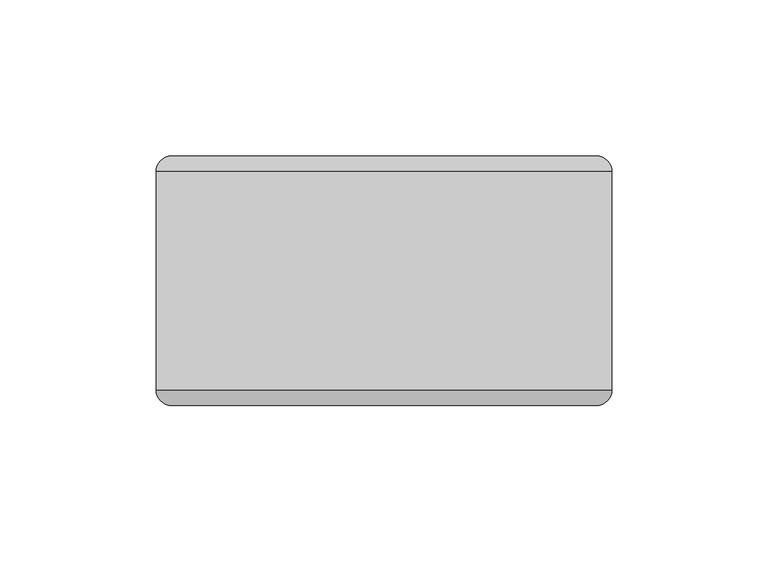
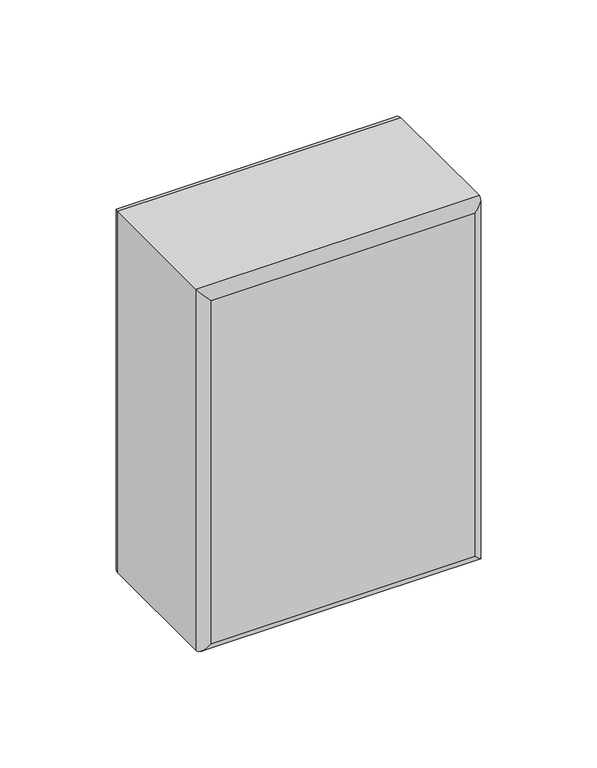
"""IFC4 building model written with IfcOpenShell, lengths in millimetres: plate geometry."""

from ifc_helpers import new_model, si_unit, frame, origin, place, context, project, spatial, ellipse_curve, source, transform, mapped, element, save
from ifc_brep_helpers import plane_surface, cylinder_surface, advanced_brep


def plate_bfcf45ef(model_context):
    return source(origin(), model_context, "Body", "AdvancedBrep", [
        advanced_brep(
        [(-73.025, -35.0, 196.9869895), (72.975, -35.0, 196.9869895), (72.975, 35.0, 196.9869895), (-73.025, 35.0, 196.9869895), (72.975, -35.0, 0.0), (-73.025, -35.0, 0.0), (-73.025, 35.0, 0.0), (72.975, 35.0, 0.0), (-68.025, -40.0, 5.0), (67.975, -40.0, 5.0), (67.975, -40.0, 191.9869895), (-68.025, -40.0, 191.9869895), (67.975, 40.0, 5.0), (-68.025, 40.0, 5.0), (-68.025, 40.0, 191.9869895), (67.975, 40.0, 191.9869895)],
        [
            (0, 1),
            (1, 2),
            (2, 3),
            (3, 0),
            (4, 5),
            (5, 6),
            (6, 7),
            (7, 4),
            (8, 9),
            (9, 10),
            (10, 11),
            (11, 8),
            (1, 4),
            (7, 2),
            (12, 13),
            (13, 14),
            (14, 15),
            (15, 12),
            (5, 0),
            (3, 6),
            (4, 9, ellipse_curve(frame((67.975, -35.0, 5.0), z_axis=(-0.7071067811865475, 0.0, -0.7071067811865475), x_axis=(0.7071067811865476, 0.0, -0.7071067811865474)), 7.0710678, 5.0)),
            (8, 5, ellipse_curve(frame((-68.025, -35.0, 5.0), z_axis=(0.7071067811865475, 0.0, -0.7071067811865475), x_axis=(0.7071067811865476, 0.0, 0.7071067811865474)), 7.0710678, 5.0)),
            (1, 10, ellipse_curve(frame((67.975, -35.0, 191.9869895), z_axis=(0.7071067811865475, 0.0, -0.7071067811865475), x_axis=(0.7071067811865474, 0.0, 0.7071067811865476)), 7.0710678, 5.0)),
            (0, 11, ellipse_curve(frame((-68.025, -35.0, 191.9869895), z_axis=(0.7071067811865475, 0.0, 0.7071067811865475), x_axis=(-0.7071067811865476, 0.0, 0.7071067811865474)), 7.0710678, 5.0)),
            (12, 7, ellipse_curve(frame((67.975, 35.0, 5.0), z_axis=(-0.7071067811865475, 0.0, -0.7071067811865475), x_axis=(0.7071067811865476, 0.0, -0.7071067811865474)), 7.0710678, 5.0)),
            (6, 13, ellipse_curve(frame((-68.025, 35.0, 5.0), z_axis=(0.7071067811865475, 0.0, -0.7071067811865475), x_axis=(0.7071067811865476, 0.0, 0.7071067811865474)), 7.0710678, 5.0)),
            (15, 2, ellipse_curve(frame((67.975, 35.0, 191.9869895), z_axis=(0.7071067811865475, 0.0, -0.7071067811865475), x_axis=(0.7071067811865474, 0.0, 0.7071067811865476)), 7.0710678, 5.0)),
            (14, 3, ellipse_curve(frame((-68.025, 35.0, 191.9869895), z_axis=(0.7071067811865475, 0.0, 0.7071067811865475), x_axis=(-0.7071067811865476, 0.0, 0.7071067811865474)), 7.0710678, 5.0)),
        ],
        [
            plane_surface(frame((-73.025, -40.0, 196.9869895), z_axis=(0.0, 0.0, 1.0), x_axis=(1.0, 0.0, 0.0))),
            plane_surface(frame((-73.025, -40.0, 0.0), z_axis=(0.0, 0.0, -1.0), x_axis=(-1.0, 0.0, 0.0))),
            plane_surface(frame((-73.025, -40.0, 196.9869895), z_axis=(0.0, -1.0, 0.0), x_axis=(0.0, 0.0, -1.0))),
            plane_surface(frame((72.975, -40.0, 196.9869895), z_axis=(1.0, 0.0, 0.0), x_axis=(0.0, 0.0, -1.0))),
            plane_surface(frame((72.975, 40.0, 196.9869895), z_axis=(0.0, 1.0, 0.0), x_axis=(0.0, 0.0, -1.0))),
            plane_surface(frame((-73.025, 40.0, 196.9869895), z_axis=(-1.0, 0.0, 0.0), x_axis=(0.0, 0.0, -1.0))),
            cylinder_surface(frame((-73.025, -35.0, 5.0), z_axis=(1.0, 0.0, 0.0), x_axis=(0.0, 0.0, -1.0)), 5.0),
            cylinder_surface(frame((67.975, -35.0, 0.0), z_axis=(0.0, 0.0, 1.0), x_axis=(1.0, 0.0, 0.0)), 5.0),
            cylinder_surface(frame((72.975, -35.0, 191.9869895), z_axis=(-1.0, 0.0, 0.0), x_axis=(0.0, 0.0, 1.0)), 5.0),
            cylinder_surface(frame((-68.025, -35.0, 196.9869895), z_axis=(0.0, 0.0, -1.0), x_axis=(-1.0, 0.0, 0.0)), 5.0),
            cylinder_surface(frame((-73.025, 35.0, 5.0), z_axis=(1.0, 0.0, 0.0), x_axis=(0.0, 0.0, -1.0)), 5.0),
            cylinder_surface(frame((67.975, 35.0, 0.0), z_axis=(0.0, 0.0, 1.0), x_axis=(1.0, 0.0, 0.0)), 5.0),
            cylinder_surface(frame((72.975, 35.0, 191.9869895), z_axis=(-1.0, 0.0, 0.0), x_axis=(0.0, 0.0, 1.0)), 5.0),
            cylinder_surface(frame((-68.025, 35.0, 196.9869895), z_axis=(0.0, 0.0, -1.0), x_axis=(-1.0, 0.0, 0.0)), 5.0),
        ],
        [
            (0, [[1, 2, 3, 4]]),
            (1, [[5, 6, 7, 8]]),
            (2, [[9, 10, 11, 12]]),
            (3, [[13, -8, 14, -2]]),
            (4, [[15, 16, 17, 18]]),
            (5, [[19, -4, 20, -6]]),
            (6, [[21, -9, 22, -5]]),
            (7, [[-21, -13, 23, -10]]),
            (8, [[-23, -1, 24, -11]]),
            (9, [[-22, -12, -24, -19]]),
            (10, [[25, -7, 26, -15]]),
            (11, [[-25, -18, 27, -14]]),
            (12, [[-27, -17, 28, -3]]),
            (13, [[-26, -20, -28, -16]]),
        ],
    ),
    ])


if __name__ == "__main__":
    model = new_model("IFC4")
    model_context = context("Model", 3, world=origin())
    ifc_project = project(units=[si_unit("LENGTHUNIT", "METRE", prefix="MILLI")], contexts=[model_context])
    site = spatial("IfcSite", under=ifc_project)
    building = spatial("IfcBuilding", under=site)
    placement = place(None, origin())
    plate_shape = plate_bfcf45ef(model_context)
    element("IfcPlate", 1, at=placement, inside=building, context=model_context, shape_type="MappedRepresentation", body=[
        mapped(plate_shape, transform((0.0, 0.0, 0.0), x_axis=(1.0, 0.0, 0.0), y_axis=(0.0, 1.0, 0.0), z_axis=(0.0, 0.0, 1.0))),
    ])
    save(model, "model.ifc")
